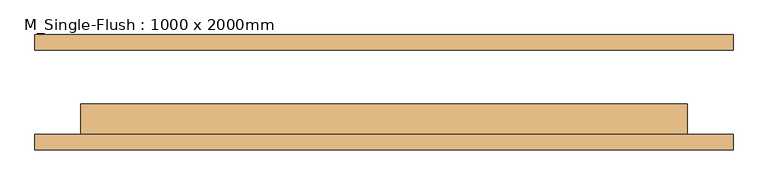
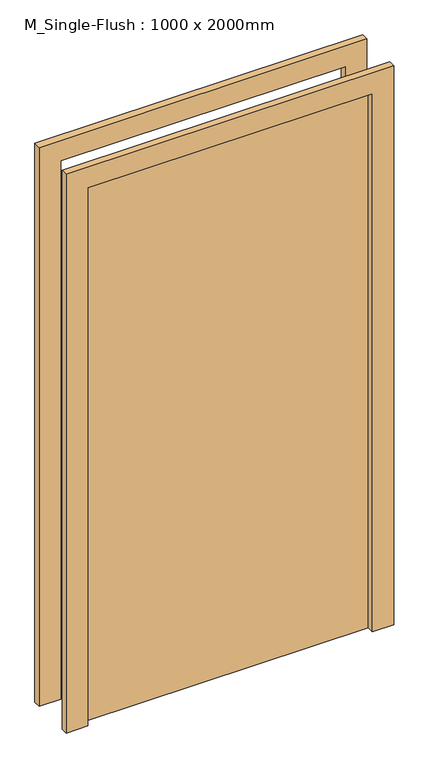
"""IFC4 building model written with IfcOpenShell, lengths in millimetres: door geometry, M_Single-Flush : 1000 x 2000mm."""

import ifcopenshell
import ifcopenshell.guid

model = None  # the IFC model being written
_history = None  # IfcOwnerHistory: only IFC2X3 demands one
_inside = {}  # id of a spatial element -> (the spatial element, [elements in it])
_under = {}  # id of a project, library or spatial element -> (it, [spatial elements below it])
_declared = {}  # id of a project -> (the project, [libraries it declares])
_typed = {}  # id of a type object -> (the type object, [elements of that type])
_made_of = {}  # id of a material, layer set ... -> (it, [elements and type objects made of it])


def new_model(schema):
    """Start an empty IFC model of exactly this schema.

    Asked for "IFC4X3", IfcOpenShell would pick the latest addendum, in which some entities
    have other attributes; the version numbers below select the first issue.
    IFC2X3 requires an IfcOwnerHistory on every rooted entity: one is made here for all.
    """
    global model, _history
    if schema == "IFC4X3":
        model = ifcopenshell.file(schema_version=(4, 3, 0, 0))
    else:
        model = ifcopenshell.file(schema=schema)
    _inside.clear()
    _under.clear()
    _declared.clear()
    _typed.clear()
    _made_of.clear()
    _history = None
    if model.schema == "IFC2X3":
        org = make("IfcOrganization", Name="unknown")
        user = make(
            "IfcPersonAndOrganization",
            ThePerson=make("IfcPerson", FamilyName="unknown"),
            TheOrganization=org,
        )
        app = make(
            "IfcApplication",
            ApplicationDeveloper=org,
            Version="unknown",
            ApplicationFullName="unknown",
            ApplicationIdentifier="unknown",
        )
        _history = make(
            "IfcOwnerHistory",
            OwningUser=user,
            OwningApplication=app,
            ChangeAction="ADDED",
            CreationDate=0,
        )
    return model


def make(cls, **values):
    """One entity of the class cls with the attributes given. An attribute that is None is left unset."""
    return model.create_entity(
        cls, **{name: value for name, value in values.items() if value is not None}
    )


def rooted(cls, **values):
    """An entity with a GlobalId (a new one), such as an element, a storey or a relation."""
    return make(cls, GlobalId=ifcopenshell.guid.new(), OwnerHistory=_history, **values)


def si_unit(unit_type, name, prefix=None):
    """IfcSIUnit, for example si_unit("LENGTHUNIT", "METRE", prefix="MILLI")."""
    return make("IfcSIUnit", UnitType=unit_type, Prefix=prefix, Name=name)


def assignment(units):
    """IfcUnitAssignment: the units of a project."""
    return None if units is None else make("IfcUnitAssignment", Units=units)


def point(xyz):
    """IfcCartesianPoint."""
    return None if xyz is None else make("IfcCartesianPoint", Coordinates=xyz)


def direction(xyz):
    """IfcDirection."""
    return None if xyz is None else make("IfcDirection", DirectionRatios=xyz)


def frame(location, z_axis=None, x_axis=None):
    """IfcAxis2Placement3D, a coordinate frame: its origin and axes. An axis left out is left unset."""
    return make(
        "IfcAxis2Placement3D",
        Location=point(location),
        Axis=direction(z_axis),
        RefDirection=direction(x_axis),
    )


def origin():
    """The frame at (0, 0, 0) with its axes left unset."""
    return frame((0.0, 0.0, 0.0))


def origin_with_axes():
    """The frame at (0, 0, 0) with the z axis (0, 0, 1) and the x axis (1, 0, 0) written out."""
    return frame((0.0, 0.0, 0.0), z_axis=(0.0, 0.0, 1.0), x_axis=(1.0, 0.0, 0.0))


def place(relative_to, where):
    """IfcLocalPlacement: puts the frame where relative to a parent placement (None: the world)."""
    return make(
        "IfcLocalPlacement", PlacementRelTo=relative_to, RelativePlacement=where
    )


def context(
    kind, dimensions, precision=None, world=None, true_north=None, identifier=None
):
    """IfcGeometricRepresentationContext, for example the 3D "Model" context."""
    return make(
        "IfcGeometricRepresentationContext",
        ContextIdentifier=identifier,
        ContextType=kind,
        CoordinateSpaceDimension=dimensions,
        Precision=precision,
        WorldCoordinateSystem=world,
        TrueNorth=true_north,
    )


def project(units=None, contexts=None):
    """IfcProject with its units and contexts."""
    return rooted(
        "IfcProject",
        Name="project",
        RepresentationContexts=contexts,
        UnitsInContext=assignment(units),
    )


def spatial(cls, under=None, at=None, **own):
    """A site, building, storey or space (cls), placed at a placement, below another one or the project."""
    s = rooted(cls, ObjectPlacement=at, **own)
    if under is not None:
        _under.setdefault(under.id(), (under, []))[1].append(s)
    return s


def polyline(points):
    """IfcPolyline through the points."""
    return make("IfcPolyline", Points=[point(p) for p in points])


def outline(outer, holes=None, kind="AREA"):
    """IfcArbitraryClosedProfileDef: a profile drawn as a closed curve; with holes, ...WithVoids."""
    if holes is None:
        return make("IfcArbitraryClosedProfileDef", ProfileType=kind, OuterCurve=outer)
    return make(
        "IfcArbitraryProfileDefWithVoids",
        ProfileType=kind,
        OuterCurve=outer,
        InnerCurves=holes,
    )


def extrude(swept, where, along, depth):
    """IfcExtrudedAreaSolid: the profile swept, set in the frame where, extruded along a direction by depth."""
    return make(
        "IfcExtrudedAreaSolid",
        SweptArea=swept,
        Position=where,
        ExtrudedDirection=direction(along),
        Depth=depth,
    )


def shape(context_of_items, identifier, shape_type, items):
    """IfcShapeRepresentation: the items that make up one representation, for example the "Body"."""
    return make(
        "IfcShapeRepresentation",
        ContextOfItems=context_of_items,
        RepresentationIdentifier=identifier,
        RepresentationType=shape_type,
        Items=items,
    )


def source(mapping_origin, context_of_items, identifier, shape_type, items):
    """IfcRepresentationMap: a shape defined once, which mapped items show again and again."""
    return make(
        "IfcRepresentationMap",
        MappingOrigin=mapping_origin,
        MappedRepresentation=shape(context_of_items, identifier, shape_type, items),
    )


def transform(
    local_origin,
    x_axis=None,
    y_axis=None,
    z_axis=None,
    scale=None,
    scale2=None,
    scale3=None,
    uniform=True,
):
    """IfcCartesianTransformationOperator3D, or its non-uniform kind. x_axis, y_axis, z_axis: its Axis1, 2, 3."""
    if uniform:
        return make(
            "IfcCartesianTransformationOperator3D",
            Axis1=direction(x_axis),
            Axis2=direction(y_axis),
            LocalOrigin=point(local_origin),
            Scale=scale,
            Axis3=direction(z_axis),
        )
    return make(
        "IfcCartesianTransformationOperator3DnonUniform",
        Axis1=direction(x_axis),
        Axis2=direction(y_axis),
        LocalOrigin=point(local_origin),
        Scale=scale,
        Axis3=direction(z_axis),
        Scale2=scale2,
        Scale3=scale3,
    )


def mapped(mapping_source, mapping_target):
    """IfcMappedItem: shows the shape of a source again, moved by a transform."""
    return make(
        "IfcMappedItem", MappingSource=mapping_source, MappingTarget=mapping_target
    )


def made_of(thing, what):
    """Note that an element or type object is made of a material, layer set ...; save() writes the relation."""
    if what is not None:
        _made_of.setdefault(what.id(), (what, []))[1].append(thing)
    return thing


def element(
    cls,
    number,
    at=None,
    inside=None,
    cuts=None,
    type_object=None,
    material=None,
    context=None,
    identifier="Body",
    shape_type=None,
    held_by="IfcProductDefinitionShape",
    body=None,
    shapes=None,
    **own,
):
    """One element of the class cls, such as IfcWall. Its Tag is "e" and its number.

    at: its placement. inside: the storey or other place that contains it. cuts: it is an
    opening in that element (IfcRelVoidsElement). A single representation is given by context,
    identifier, shape_type and body (its items); several are given by shapes. held_by: the class
    of the entity that holds the representations. save() writes the other relations.
    """
    e = rooted(cls, Tag="e%d" % number, ObjectPlacement=at, **own)
    if body is not None:
        shapes = [shape(context, identifier, shape_type, body)]
    if shapes is not None:
        e.Representation = make(held_by, Representations=shapes)
    if inside is not None:
        _inside.setdefault(inside.id(), (inside, []))[1].append(e)
    if cuts is not None:
        rooted(
            "IfcRelVoidsElement", RelatingBuildingElement=cuts, RelatedOpeningElement=e
        )
    if type_object is not None:
        _typed.setdefault(type_object.id(), (type_object, []))[1].append(e)
    return made_of(e, material)


def aggregate(whole, parts):
    """IfcRelAggregates: a whole, such as a stair, and the parts it consists of."""
    return rooted("IfcRelAggregates", RelatingObject=whole, RelatedObjects=parts)


def save(model, path):
    """Write the relations noted so far, then the file.

    IfcRelAggregates (storeys below a building ...), IfcRelContainedInSpatialStructure (elements
    in a storey), IfcRelDefinesByType, IfcRelAssociatesMaterial and IfcRelDeclares: one each for
    every whole, place, type object, material and project.
    """
    for whole, parts in _under.values():
        aggregate(whole, parts)
    for where, things in _inside.values():
        rooted(
            "IfcRelContainedInSpatialStructure",
            RelatedElements=things,
            RelatingStructure=where,
        )
    for kind, things in _typed.values():
        rooted("IfcRelDefinesByType", RelatedObjects=things, RelatingType=kind)
    for what, things in _made_of.values():
        rooted("IfcRelAssociatesMaterial", RelatedObjects=things, RelatingMaterial=what)
    for by, libraries in _declared.values():
        rooted("IfcRelDeclares", RelatingContext=by, RelatedDefinitions=libraries)
    model.write(path)


def m_single_flush_1000_x_2000mm_a2ca5a3c(model_context):
    return source(origin(), model_context, "Body", "SweptSolid", [
        extrude(outline(polyline([(2076.0, -576.0), (0.0, -576.0), (0.0, -500.0), (2000.0, -500.0), (2000.0, 500.0), (0.0, 500.0), (0.0, 576.0), (2076.0, 576.0), (2076.0, -576.0)])), frame((0.0, -95.0, 0.0), z_axis=(0.0, 1.0, 0.0), x_axis=(0.0, 0.0, 1.0)), (0.0, 0.0, 1.0), 25.0),
        extrude(outline(polyline([(2076.0, 576.0), (2076.0, -576.0), (0.0, -576.0), (0.0, -500.0), (2000.0, -500.0), (2000.0, 500.0), (0.0, 500.0), (0.0, 576.0), (2076.0, 576.0)])), frame((0.0, 70.0, 0.0), z_axis=(0.0, 1.0, 0.0), x_axis=(0.0, 0.0, 1.0)), (0.0, 0.0, 1.0), 25.0),
        extrude(outline(polyline([(500.0, -19.0), (500.0, -70.0), (-500.0, -70.0), (-500.0, -19.0), (500.0, -19.0)])), origin_with_axes(), (0.0, 0.0, 1.0), 2000.0),
    ])


if __name__ == "__main__":
    model = new_model("IFC4")
    model_context = context("Model", 3, world=origin())
    ifc_project = project(units=[si_unit("LENGTHUNIT", "METRE", prefix="MILLI")], contexts=[model_context])
    site = spatial("IfcSite", under=ifc_project)
    building = spatial("IfcBuilding", under=site)
    placement = place(None, origin())
    m_single_flush_1000_x_2000mm_shape = m_single_flush_1000_x_2000mm_a2ca5a3c(model_context)
    element("IfcDoor", 1, ObjectType="M_Single-Flush : 1000 x 2000mm", at=placement, inside=building, context=model_context, shape_type="MappedRepresentation", body=[
        mapped(m_single_flush_1000_x_2000mm_shape, transform((0.0, 0.0, 0.0), x_axis=(1.0, 0.0, 0.0), y_axis=(0.0, 1.0, 0.0), z_axis=(0.0, 0.0, 1.0))),
    ])
    save(model, "model.ifc")
